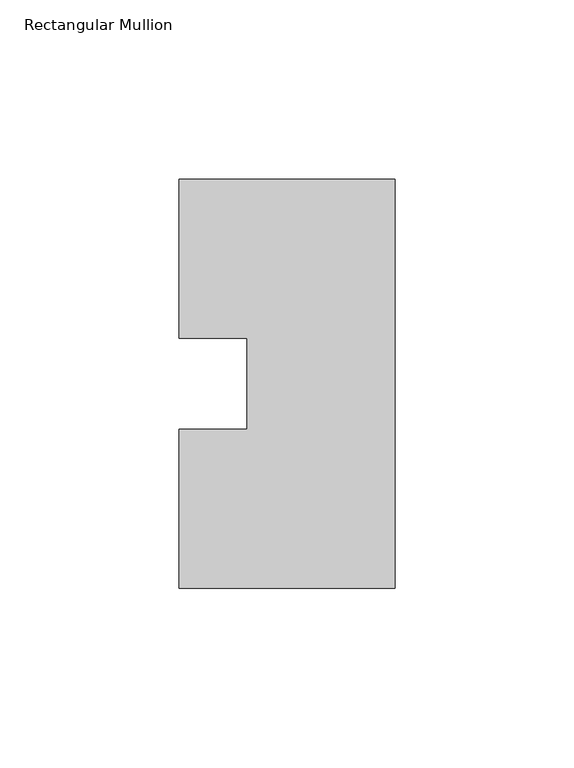
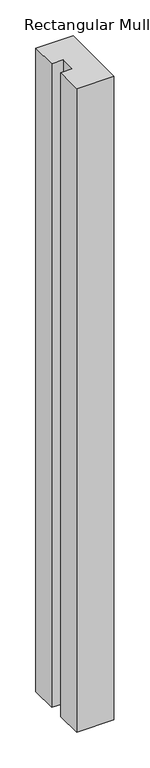
"""IFC4 building model written with IfcOpenShell, lengths in millimetres: member geometry, Rectangular Mullion."""

from ifc_helpers import new_model, si_unit, frame, origin, place, context, project, spatial, polyline, outline, extrude, source, transform, mapped, element, save


def rectangular_mullion_03764e8c(model_context):
    return source(origin(), model_context, "Body", "SweptSolid", [
        extrude(outline(polyline([(-60.325, 57.15), (0.0, 57.15), (0.0, -57.15), (-60.325, -57.15), (-60.325, -12.7), (-41.275, -12.7), (-41.275, 12.7), (-60.325, 12.7), (-60.325, 57.15)])), frame((0.0, 0.0, -1099.7094027), z_axis=(0.0, 0.0, 1.0), x_axis=(1.0, 0.0, 0.0)), (0.0, 0.0, 1.0), 1099.7094027),
    ])


if __name__ == "__main__":
    model = new_model("IFC4")
    model_context = context("Model", 3, world=origin())
    ifc_project = project(units=[si_unit("LENGTHUNIT", "METRE", prefix="MILLI")], contexts=[model_context])
    site = spatial("IfcSite", under=ifc_project)
    building = spatial("IfcBuilding", under=site)
    placement = place(None, origin())
    rectangular_mullion_shape = rectangular_mullion_03764e8c(model_context)
    element("IfcMember", 1, ObjectType="Rectangular Mullion", at=placement, inside=building, context=model_context, shape_type="MappedRepresentation", body=[
        mapped(rectangular_mullion_shape, transform((0.0, 0.0, 0.0), x_axis=(1.0, 0.0, 0.0), y_axis=(0.0, 1.0, 0.0), z_axis=(0.0, 0.0, 1.0))),
    ])
    save(model, "model.ifc")
